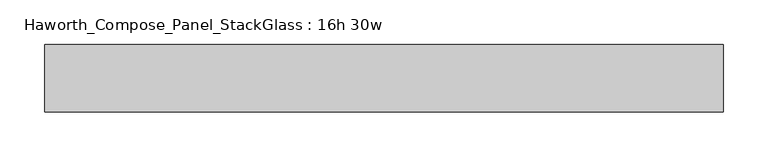
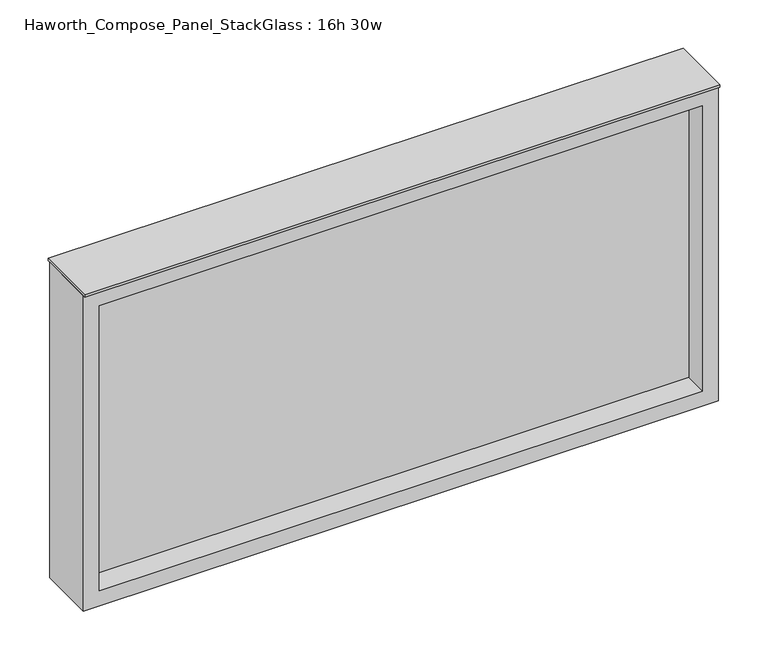
"""IFC4 building model written with IfcOpenShell, lengths in millimetres: furniture geometry, Haworth_Compose_Panel_StackGlass : 16h 30w."""

import ifcopenshell
import ifcopenshell.guid

model = None  # the IFC model being written
_history = None  # IfcOwnerHistory: only IFC2X3 demands one
_inside = {}  # id of a spatial element -> (the spatial element, [elements in it])
_under = {}  # id of a project, library or spatial element -> (it, [spatial elements below it])
_declared = {}  # id of a project -> (the project, [libraries it declares])
_typed = {}  # id of a type object -> (the type object, [elements of that type])
_made_of = {}  # id of a material, layer set ... -> (it, [elements and type objects made of it])


def new_model(schema):
    """Start an empty IFC model of exactly this schema.

    Asked for "IFC4X3", IfcOpenShell would pick the latest addendum, in which some entities
    have other attributes; the version numbers below select the first issue.
    IFC2X3 requires an IfcOwnerHistory on every rooted entity: one is made here for all.
    """
    global model, _history
    if schema == "IFC4X3":
        model = ifcopenshell.file(schema_version=(4, 3, 0, 0))
    else:
        model = ifcopenshell.file(schema=schema)
    _inside.clear()
    _under.clear()
    _declared.clear()
    _typed.clear()
    _made_of.clear()
    _history = None
    if model.schema == "IFC2X3":
        org = make("IfcOrganization", Name="unknown")
        user = make(
            "IfcPersonAndOrganization",
            ThePerson=make("IfcPerson", FamilyName="unknown"),
            TheOrganization=org,
        )
        app = make(
            "IfcApplication",
            ApplicationDeveloper=org,
            Version="unknown",
            ApplicationFullName="unknown",
            ApplicationIdentifier="unknown",
        )
        _history = make(
            "IfcOwnerHistory",
            OwningUser=user,
            OwningApplication=app,
            ChangeAction="ADDED",
            CreationDate=0,
        )
    return model


def make(cls, **values):
    """One entity of the class cls with the attributes given. An attribute that is None is left unset."""
    return model.create_entity(
        cls, **{name: value for name, value in values.items() if value is not None}
    )


def rooted(cls, **values):
    """An entity with a GlobalId (a new one), such as an element, a storey or a relation."""
    return make(cls, GlobalId=ifcopenshell.guid.new(), OwnerHistory=_history, **values)


def si_unit(unit_type, name, prefix=None):
    """IfcSIUnit, for example si_unit("LENGTHUNIT", "METRE", prefix="MILLI")."""
    return make("IfcSIUnit", UnitType=unit_type, Prefix=prefix, Name=name)


def assignment(units):
    """IfcUnitAssignment: the units of a project."""
    return None if units is None else make("IfcUnitAssignment", Units=units)


def point(xyz):
    """IfcCartesianPoint."""
    return None if xyz is None else make("IfcCartesianPoint", Coordinates=xyz)


def direction(xyz):
    """IfcDirection."""
    return None if xyz is None else make("IfcDirection", DirectionRatios=xyz)


def frame(location, z_axis=None, x_axis=None):
    """IfcAxis2Placement3D, a coordinate frame: its origin and axes. An axis left out is left unset."""
    return make(
        "IfcAxis2Placement3D",
        Location=point(location),
        Axis=direction(z_axis),
        RefDirection=direction(x_axis),
    )


def origin():
    """The frame at (0, 0, 0) with its axes left unset."""
    return frame((0.0, 0.0, 0.0))


def place(relative_to, where):
    """IfcLocalPlacement: puts the frame where relative to a parent placement (None: the world)."""
    return make(
        "IfcLocalPlacement", PlacementRelTo=relative_to, RelativePlacement=where
    )


def context(
    kind, dimensions, precision=None, world=None, true_north=None, identifier=None
):
    """IfcGeometricRepresentationContext, for example the 3D "Model" context."""
    return make(
        "IfcGeometricRepresentationContext",
        ContextIdentifier=identifier,
        ContextType=kind,
        CoordinateSpaceDimension=dimensions,
        Precision=precision,
        WorldCoordinateSystem=world,
        TrueNorth=true_north,
    )


def project(units=None, contexts=None):
    """IfcProject with its units and contexts."""
    return rooted(
        "IfcProject",
        Name="project",
        RepresentationContexts=contexts,
        UnitsInContext=assignment(units),
    )


def spatial(cls, under=None, at=None, **own):
    """A site, building, storey or space (cls), placed at a placement, below another one or the project."""
    s = rooted(cls, ObjectPlacement=at, **own)
    if under is not None:
        _under.setdefault(under.id(), (under, []))[1].append(s)
    return s


def polyline(points):
    """IfcPolyline through the points."""
    return make("IfcPolyline", Points=[point(p) for p in points])


def outline(outer, holes=None, kind="AREA"):
    """IfcArbitraryClosedProfileDef: a profile drawn as a closed curve; with holes, ...WithVoids."""
    if holes is None:
        return make("IfcArbitraryClosedProfileDef", ProfileType=kind, OuterCurve=outer)
    return make(
        "IfcArbitraryProfileDefWithVoids",
        ProfileType=kind,
        OuterCurve=outer,
        InnerCurves=holes,
    )


def extrude(swept, where, along, depth):
    """IfcExtrudedAreaSolid: the profile swept, set in the frame where, extruded along a direction by depth."""
    return make(
        "IfcExtrudedAreaSolid",
        SweptArea=swept,
        Position=where,
        ExtrudedDirection=direction(along),
        Depth=depth,
    )


def shape(context_of_items, identifier, shape_type, items):
    """IfcShapeRepresentation: the items that make up one representation, for example the "Body"."""
    return make(
        "IfcShapeRepresentation",
        ContextOfItems=context_of_items,
        RepresentationIdentifier=identifier,
        RepresentationType=shape_type,
        Items=items,
    )


def source(mapping_origin, context_of_items, identifier, shape_type, items):
    """IfcRepresentationMap: a shape defined once, which mapped items show again and again."""
    return make(
        "IfcRepresentationMap",
        MappingOrigin=mapping_origin,
        MappedRepresentation=shape(context_of_items, identifier, shape_type, items),
    )


def transform(
    local_origin,
    x_axis=None,
    y_axis=None,
    z_axis=None,
    scale=None,
    scale2=None,
    scale3=None,
    uniform=True,
):
    """IfcCartesianTransformationOperator3D, or its non-uniform kind. x_axis, y_axis, z_axis: its Axis1, 2, 3."""
    if uniform:
        return make(
            "IfcCartesianTransformationOperator3D",
            Axis1=direction(x_axis),
            Axis2=direction(y_axis),
            LocalOrigin=point(local_origin),
            Scale=scale,
            Axis3=direction(z_axis),
        )
    return make(
        "IfcCartesianTransformationOperator3DnonUniform",
        Axis1=direction(x_axis),
        Axis2=direction(y_axis),
        LocalOrigin=point(local_origin),
        Scale=scale,
        Axis3=direction(z_axis),
        Scale2=scale2,
        Scale3=scale3,
    )


def mapped(mapping_source, mapping_target):
    """IfcMappedItem: shows the shape of a source again, moved by a transform."""
    return make(
        "IfcMappedItem", MappingSource=mapping_source, MappingTarget=mapping_target
    )


def made_of(thing, what):
    """Note that an element or type object is made of a material, layer set ...; save() writes the relation."""
    if what is not None:
        _made_of.setdefault(what.id(), (what, []))[1].append(thing)
    return thing


def element(
    cls,
    number,
    at=None,
    inside=None,
    cuts=None,
    type_object=None,
    material=None,
    context=None,
    identifier="Body",
    shape_type=None,
    held_by="IfcProductDefinitionShape",
    body=None,
    shapes=None,
    **own,
):
    """One element of the class cls, such as IfcWall. Its Tag is "e" and its number.

    at: its placement. inside: the storey or other place that contains it. cuts: it is an
    opening in that element (IfcRelVoidsElement). A single representation is given by context,
    identifier, shape_type and body (its items); several are given by shapes. held_by: the class
    of the entity that holds the representations. save() writes the other relations.
    """
    e = rooted(cls, Tag="e%d" % number, ObjectPlacement=at, **own)
    if body is not None:
        shapes = [shape(context, identifier, shape_type, body)]
    if shapes is not None:
        e.Representation = make(held_by, Representations=shapes)
    if inside is not None:
        _inside.setdefault(inside.id(), (inside, []))[1].append(e)
    if cuts is not None:
        rooted(
            "IfcRelVoidsElement", RelatingBuildingElement=cuts, RelatedOpeningElement=e
        )
    if type_object is not None:
        _typed.setdefault(type_object.id(), (type_object, []))[1].append(e)
    return made_of(e, material)


def aggregate(whole, parts):
    """IfcRelAggregates: a whole, such as a stair, and the parts it consists of."""
    return rooted("IfcRelAggregates", RelatingObject=whole, RelatedObjects=parts)


def save(model, path):
    """Write the relations noted so far, then the file.

    IfcRelAggregates (storeys below a building ...), IfcRelContainedInSpatialStructure (elements
    in a storey), IfcRelDefinesByType, IfcRelAssociatesMaterial and IfcRelDeclares: one each for
    every whole, place, type object, material and project.
    """
    for whole, parts in _under.values():
        aggregate(whole, parts)
    for where, things in _inside.values():
        rooted(
            "IfcRelContainedInSpatialStructure",
            RelatedElements=things,
            RelatingStructure=where,
        )
    for kind, things in _typed.values():
        rooted("IfcRelDefinesByType", RelatedObjects=things, RelatingType=kind)
    for what, things in _made_of.values():
        rooted("IfcRelAssociatesMaterial", RelatedObjects=things, RelatingMaterial=what)
    for by, libraries in _declared.values():
        rooted("IfcRelDeclares", RelatingContext=by, RelatedDefinitions=libraries)
    model.write(path)


def haworth_compose_panel_stackglass_16h_30w_463ea2ee(model_context):
    return source(origin(), model_context, "Body", "SweptSolid", [
        extrude(outline(polyline([(364.3902902, -6.35), (-359.5097098, -6.35), (-359.5097098, 6.35), (364.3902902, 6.35), (364.3902902, -6.35)])), frame((0.0, 0.0, 1085.85), z_axis=(0.0, 0.0, 1.0), x_axis=(1.0, 0.0, 0.0)), (0.0, 0.0, 1.0), 361.95),
        extrude(outline(polyline([(1466.85, -378.5597098), (1066.8, -378.5597098), (1066.8, 383.4402902), (1466.85, 383.4402902), (1466.85, -378.5597098)]), holes=[polyline([(1447.8, 364.3902902), (1085.85, 364.3902902), (1085.85, -359.5097098), (1447.8, -359.5097098), (1447.8, 364.3902902)])]), frame((0.0, -34.925, 0.0), z_axis=(0.0, 1.0, 0.0), x_axis=(0.0, 0.0, 1.0)), (0.0, 0.0, 1.0), 69.85),
        extrude(outline(polyline([(-378.5597098, -38.1), (-378.5597098, 38.1), (383.4402902, 38.1), (383.4402902, -38.1), (-378.5597098, -38.1)])), frame((0.0, 0.0, 1466.85), z_axis=(0.0, 0.0, 1.0), x_axis=(1.0, 0.0, 0.0)), (0.0, 0.0, 1.0), 3.175),
    ])


if __name__ == "__main__":
    model = new_model("IFC4")
    model_context = context("Model", 3, world=origin())
    ifc_project = project(units=[si_unit("LENGTHUNIT", "METRE", prefix="MILLI")], contexts=[model_context])
    site = spatial("IfcSite", under=ifc_project)
    building = spatial("IfcBuilding", under=site)
    placement = place(None, origin())
    haworth_compose_panel_stackglass_16h_30w_shape = haworth_compose_panel_stackglass_16h_30w_463ea2ee(model_context)
    element("IfcFurniture", 1, ObjectType="Haworth_Compose_Panel_StackGlass : 16h 30w", at=placement, inside=building, context=model_context, shape_type="MappedRepresentation", body=[
        mapped(haworth_compose_panel_stackglass_16h_30w_shape, transform((0.0, 0.0, 0.0), x_axis=(1.0, 0.0, 0.0), y_axis=(0.0, 1.0, 0.0), z_axis=(0.0, 0.0, 1.0))),
    ])
    save(model, "model.ifc")
